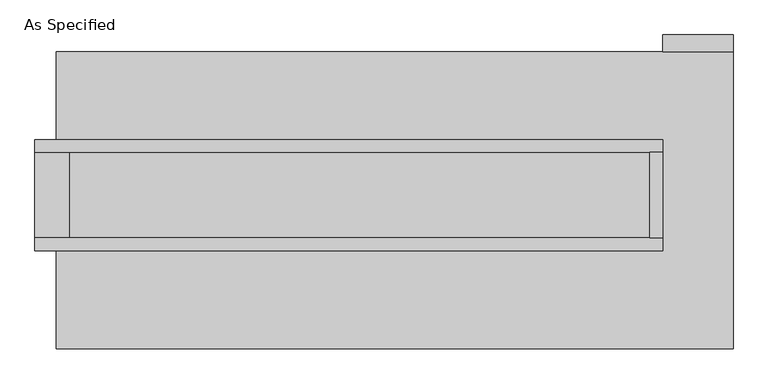
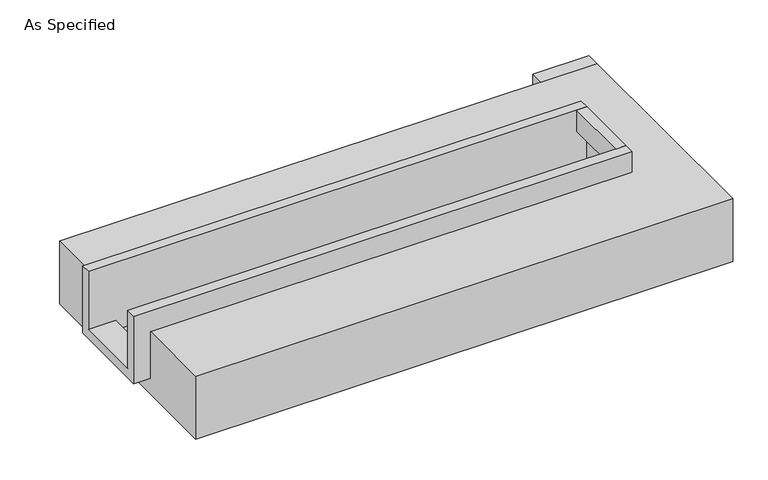
"""IFC4 building model written with IfcOpenShell, lengths in millimetres: proxy geometry, As Specified."""

from ifc_helpers import new_model, si_unit, frame, origin, place, context, project, spatial, polyline, outline, extrude, faceted_brep, source, transform, mapped, element, save


def as_specified_e07129e8(model_context):
    return source(origin(), model_context, "Body", "SolidModel", [
        extrude(outline(polyline([(2139.95, 882.65), (1720.85, 882.65), (1720.85, 984.25), (2139.95, 984.25), (2139.95, 882.65)])), frame((0.0, 0.0, -523.9742188), z_axis=(0.0, 0.0, 1.0), x_axis=(1.0, 0.0, 0.0)), (0.0, 0.0, 1.0), 498.5742188),
        extrude(outline(polyline([(1644.65, 285.75), (1720.85, 285.75), (1720.85, -222.25), (1644.65, -222.25), (1644.65, 285.75)])), frame((0.0, 0.0, -25.4), z_axis=(0.0, 0.0, 1.0), x_axis=(1.0, 0.0, 0.0)), (0.0, 0.0, 1.0), 165.1),
        faceted_brep([(1720.85, 285.75, 139.7), (1720.85, 285.75, -317.5), (1720.85, -222.25, -317.5), (1720.85, -222.25, 139.7), (1720.85, -298.45, 139.7), (1720.85, -298.45, -393.7), (1720.85, 361.95, -393.7), (1720.85, 361.95, 139.7), (-2012.95, 285.75, 139.7), (-2012.95, 361.95, 139.7), (-2012.95, 361.95, -393.7), (-2012.95, -298.45, -393.7), (-2012.95, -298.45, 139.7), (-2012.95, -222.25, 139.7), (-2012.95, -222.25, -317.5), (-2012.95, 285.75, -317.5), (-1809.75, 285.75, -393.7), (-1809.75, -222.25, -393.7), (1644.65, -222.25, -393.7), (1644.65, 285.75, -393.7), (1644.65, -222.25, -317.5), (-1809.75, -222.25, -317.5), (1644.65, 285.75, -317.5), (-1809.75, 285.75, -317.5)], [[[0, 1, 2, 3, 4, 5, 6, 7]], [[8, 9, 10, 11, 12, 13, 14, 15]], [[0, 7, 9, 8]], [[7, 6, 10, 9]], [[6, 5, 11, 10], [16, 17, 18, 19]], [[4, 3, 13, 12]], [[3, 2, 20, 18, 17, 21, 14, 13]], [[2, 1, 22, 20]], [[15, 14, 21, 23]], [[1, 0, 8, 15, 23, 16, 19, 22]], [[21, 17, 16, 23]], [[18, 20, 22, 19]], [[5, 4, 12, 11]]]),
        faceted_brep([(2139.95, 882.65, -523.9742188), (2139.95, -882.65, -523.9742188), (-1885.95, -882.65, -523.9742188), (-1885.95, 882.65, -523.9742188), (-1885.95, 882.65, -25.4), (-1885.95, 361.95, -25.4), (1720.85, 361.95, -25.4), (1720.85, -298.45, -25.4), (-1885.95, -298.45, -25.4), (-1885.95, -882.65, -25.4), (2139.95, -882.65, -25.4), (2139.95, 882.65, -25.4), (-1885.95, -298.45, -393.7), (-1885.95, 361.95, -393.7), (1720.85, 361.95, -393.7), (1720.85, -298.45, -393.7)], [[[0, 1, 2, 3]], [[4, 5, 6, 7, 8, 9, 10, 11]], [[0, 3, 4, 11]], [[4, 3, 2, 9, 8, 12, 13, 5]], [[2, 1, 10, 9]], [[14, 15, 7, 6]], [[13, 14, 6, 5]], [[15, 14, 13, 12]], [[15, 12, 8, 7]], [[1, 0, 11, 10]]]),
    ])


if __name__ == "__main__":
    model = new_model("IFC4")
    model_context = context("Model", 3, world=origin())
    ifc_project = project(units=[si_unit("LENGTHUNIT", "METRE", prefix="MILLI")], contexts=[model_context])
    site = spatial("IfcSite", under=ifc_project)
    building = spatial("IfcBuilding", under=site)
    placement = place(None, origin())
    as_specified_shape = as_specified_e07129e8(model_context)
    element("IfcBuildingElementProxy", 1, Name="As Specified", ObjectType="As Specified", at=placement, inside=building, context=model_context, shape_type="MappedRepresentation", body=[
        mapped(as_specified_shape, transform((0.0, 0.0, 0.0), x_axis=(1.0, 0.0, 0.0), y_axis=(0.0, 1.0, 0.0), z_axis=(0.0, 0.0, 1.0))),
    ])
    save(model, "model.ifc")
